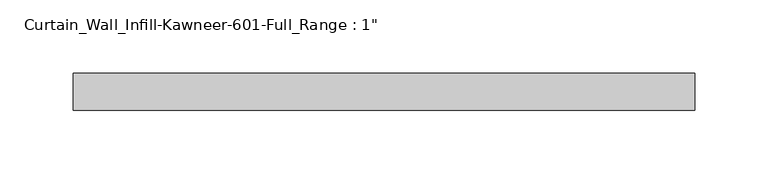
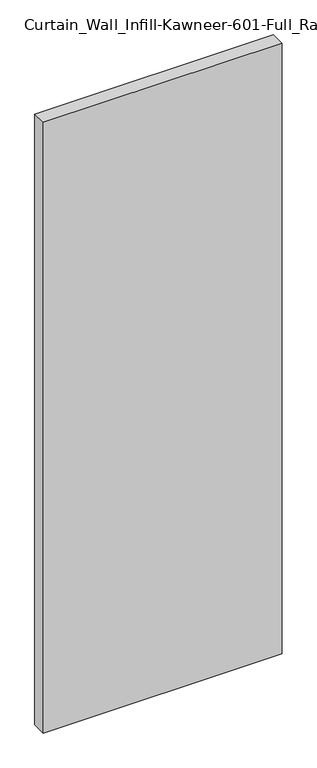
"""IFC4 building model written with IfcOpenShell, lengths in millimetres: plate geometry."""

from ifc_helpers import new_model, si_unit, origin, origin_with_axes, place, context, project, spatial, polyline, outline, extrude, source, transform, mapped, element, save


def plate_67e16071(model_context):
    return source(origin(), model_context, "Body", "SweptSolid", [
        extrude(outline(polyline([(-212.725, 12.7), (212.725, 12.7), (212.725, -12.7), (-212.725, -12.7), (-212.725, 12.7)])), origin_with_axes(), (0.0, 0.0, 1.0), 1149.35),
    ])


if __name__ == "__main__":
    model = new_model("IFC4")
    model_context = context("Model", 3, world=origin())
    ifc_project = project(units=[si_unit("LENGTHUNIT", "METRE", prefix="MILLI")], contexts=[model_context])
    site = spatial("IfcSite", under=ifc_project)
    building = spatial("IfcBuilding", under=site)
    placement = place(None, origin())
    plate_shape = plate_67e16071(model_context)
    element("IfcPlate", 1, ObjectType="Curtain_Wall_Infill-Kawneer-601-Full_Range : 1\"", at=placement, inside=building, context=model_context, shape_type="MappedRepresentation", body=[
        mapped(plate_shape, transform((0.0, 0.0, 0.0), x_axis=(1.0, 0.0, 0.0), y_axis=(0.0, 1.0, 0.0), z_axis=(0.0, 0.0, 1.0))),
    ])
    save(model, "model.ifc")
